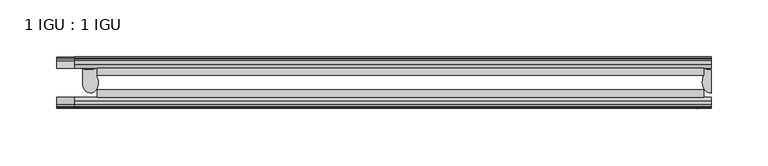
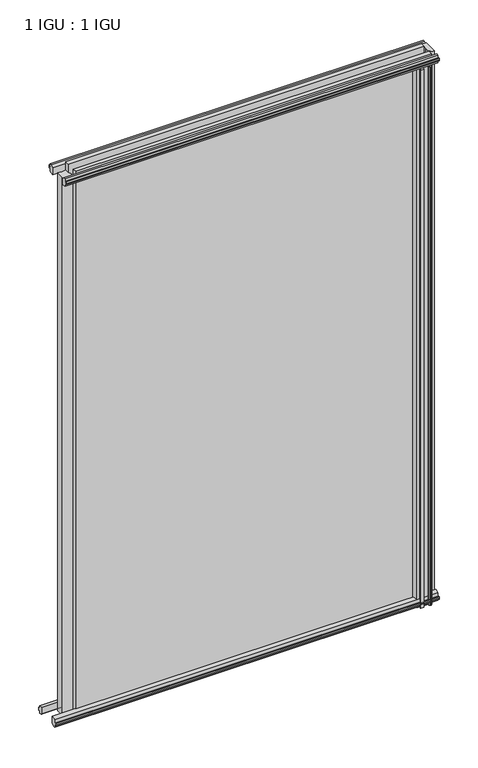
"""IFC4 building model written with IfcOpenShell, lengths in millimetres: plate geometry, 1 IGU : 1 IGU."""

import ifcopenshell
import ifcopenshell.guid

model = None  # the IFC model being written
_history = None  # IfcOwnerHistory: only IFC2X3 demands one
_inside = {}  # id of a spatial element -> (the spatial element, [elements in it])
_under = {}  # id of a project, library or spatial element -> (it, [spatial elements below it])
_declared = {}  # id of a project -> (the project, [libraries it declares])
_typed = {}  # id of a type object -> (the type object, [elements of that type])
_made_of = {}  # id of a material, layer set ... -> (it, [elements and type objects made of it])


def new_model(schema):
    """Start an empty IFC model of exactly this schema.

    Asked for "IFC4X3", IfcOpenShell would pick the latest addendum, in which some entities
    have other attributes; the version numbers below select the first issue.
    IFC2X3 requires an IfcOwnerHistory on every rooted entity: one is made here for all.
    """
    global model, _history
    if schema == "IFC4X3":
        model = ifcopenshell.file(schema_version=(4, 3, 0, 0))
    else:
        model = ifcopenshell.file(schema=schema)
    _inside.clear()
    _under.clear()
    _declared.clear()
    _typed.clear()
    _made_of.clear()
    _history = None
    if model.schema == "IFC2X3":
        org = make("IfcOrganization", Name="unknown")
        user = make(
            "IfcPersonAndOrganization",
            ThePerson=make("IfcPerson", FamilyName="unknown"),
            TheOrganization=org,
        )
        app = make(
            "IfcApplication",
            ApplicationDeveloper=org,
            Version="unknown",
            ApplicationFullName="unknown",
            ApplicationIdentifier="unknown",
        )
        _history = make(
            "IfcOwnerHistory",
            OwningUser=user,
            OwningApplication=app,
            ChangeAction="ADDED",
            CreationDate=0,
        )
    return model


def make(cls, **values):
    """One entity of the class cls with the attributes given. An attribute that is None is left unset."""
    return model.create_entity(
        cls, **{name: value for name, value in values.items() if value is not None}
    )


def rooted(cls, **values):
    """An entity with a GlobalId (a new one), such as an element, a storey or a relation."""
    return make(cls, GlobalId=ifcopenshell.guid.new(), OwnerHistory=_history, **values)


def si_unit(unit_type, name, prefix=None):
    """IfcSIUnit, for example si_unit("LENGTHUNIT", "METRE", prefix="MILLI")."""
    return make("IfcSIUnit", UnitType=unit_type, Prefix=prefix, Name=name)


def assignment(units):
    """IfcUnitAssignment: the units of a project."""
    return None if units is None else make("IfcUnitAssignment", Units=units)


def point(xyz):
    """IfcCartesianPoint."""
    return None if xyz is None else make("IfcCartesianPoint", Coordinates=xyz)


def direction(xyz):
    """IfcDirection."""
    return None if xyz is None else make("IfcDirection", DirectionRatios=xyz)


def frame(location, z_axis=None, x_axis=None):
    """IfcAxis2Placement3D, a coordinate frame: its origin and axes. An axis left out is left unset."""
    return make(
        "IfcAxis2Placement3D",
        Location=point(location),
        Axis=direction(z_axis),
        RefDirection=direction(x_axis),
    )


def frame_2d(location, x_axis=None):
    """IfcAxis2Placement2D, a coordinate frame in the plane: its origin and x axis."""
    return make(
        "IfcAxis2Placement2D", Location=point(location), RefDirection=direction(x_axis)
    )


def origin():
    """The frame at (0, 0, 0) with its axes left unset."""
    return frame((0.0, 0.0, 0.0))


def place(relative_to, where):
    """IfcLocalPlacement: puts the frame where relative to a parent placement (None: the world)."""
    return make(
        "IfcLocalPlacement", PlacementRelTo=relative_to, RelativePlacement=where
    )


def context(
    kind, dimensions, precision=None, world=None, true_north=None, identifier=None
):
    """IfcGeometricRepresentationContext, for example the 3D "Model" context."""
    return make(
        "IfcGeometricRepresentationContext",
        ContextIdentifier=identifier,
        ContextType=kind,
        CoordinateSpaceDimension=dimensions,
        Precision=precision,
        WorldCoordinateSystem=world,
        TrueNorth=true_north,
    )


def project(units=None, contexts=None):
    """IfcProject with its units and contexts."""
    return rooted(
        "IfcProject",
        Name="project",
        RepresentationContexts=contexts,
        UnitsInContext=assignment(units),
    )


def spatial(cls, under=None, at=None, **own):
    """A site, building, storey or space (cls), placed at a placement, below another one or the project."""
    s = rooted(cls, ObjectPlacement=at, **own)
    if under is not None:
        _under.setdefault(under.id(), (under, []))[1].append(s)
    return s


def polyline(points):
    """IfcPolyline through the points."""
    return make("IfcPolyline", Points=[point(p) for p in points])


def circle_curve(where, radius):
    """IfcCircle in the frame where."""
    return make("IfcCircle", Position=where, Radius=radius)


def ellipse_curve(where, semi_axis1, semi_axis2):
    """IfcEllipse in the frame where."""
    return make(
        "IfcEllipse", Position=where, SemiAxis1=semi_axis1, SemiAxis2=semi_axis2
    )


def trimmed(basis, trim1, trim2, sense, master):
    """IfcTrimmedCurve: the piece of a basis curve between two trims."""
    return make(
        "IfcTrimmedCurve",
        BasisCurve=basis,
        Trim1=trim1,
        Trim2=trim2,
        SenseAgreement=sense,
        MasterRepresentation=master,
    )


def segment(curve, same_sense, transition):
    """IfcCompositeCurveSegment."""
    return make(
        "IfcCompositeCurveSegment",
        Transition=transition,
        SameSense=same_sense,
        ParentCurve=curve,
    )


def composite_curve(segments, self_intersect=None):
    """IfcCompositeCurve: segments joined end to end."""
    return make("IfcCompositeCurve", Segments=segments, SelfIntersect=self_intersect)


def outline(outer, holes=None, kind="AREA"):
    """IfcArbitraryClosedProfileDef: a profile drawn as a closed curve; with holes, ...WithVoids."""
    if holes is None:
        return make("IfcArbitraryClosedProfileDef", ProfileType=kind, OuterCurve=outer)
    return make(
        "IfcArbitraryProfileDefWithVoids",
        ProfileType=kind,
        OuterCurve=outer,
        InnerCurves=holes,
    )


def extrude(swept, where, along, depth):
    """IfcExtrudedAreaSolid: the profile swept, set in the frame where, extruded along a direction by depth."""
    return make(
        "IfcExtrudedAreaSolid",
        SweptArea=swept,
        Position=where,
        ExtrudedDirection=direction(along),
        Depth=depth,
    )


def shape(context_of_items, identifier, shape_type, items):
    """IfcShapeRepresentation: the items that make up one representation, for example the "Body"."""
    return make(
        "IfcShapeRepresentation",
        ContextOfItems=context_of_items,
        RepresentationIdentifier=identifier,
        RepresentationType=shape_type,
        Items=items,
    )


def source(mapping_origin, context_of_items, identifier, shape_type, items):
    """IfcRepresentationMap: a shape defined once, which mapped items show again and again."""
    return make(
        "IfcRepresentationMap",
        MappingOrigin=mapping_origin,
        MappedRepresentation=shape(context_of_items, identifier, shape_type, items),
    )


def transform(
    local_origin,
    x_axis=None,
    y_axis=None,
    z_axis=None,
    scale=None,
    scale2=None,
    scale3=None,
    uniform=True,
):
    """IfcCartesianTransformationOperator3D, or its non-uniform kind. x_axis, y_axis, z_axis: its Axis1, 2, 3."""
    if uniform:
        return make(
            "IfcCartesianTransformationOperator3D",
            Axis1=direction(x_axis),
            Axis2=direction(y_axis),
            LocalOrigin=point(local_origin),
            Scale=scale,
            Axis3=direction(z_axis),
        )
    return make(
        "IfcCartesianTransformationOperator3DnonUniform",
        Axis1=direction(x_axis),
        Axis2=direction(y_axis),
        LocalOrigin=point(local_origin),
        Scale=scale,
        Axis3=direction(z_axis),
        Scale2=scale2,
        Scale3=scale3,
    )


def mapped(mapping_source, mapping_target):
    """IfcMappedItem: shows the shape of a source again, moved by a transform."""
    return make(
        "IfcMappedItem", MappingSource=mapping_source, MappingTarget=mapping_target
    )


def made_of(thing, what):
    """Note that an element or type object is made of a material, layer set ...; save() writes the relation."""
    if what is not None:
        _made_of.setdefault(what.id(), (what, []))[1].append(thing)
    return thing


def element(
    cls,
    number,
    at=None,
    inside=None,
    cuts=None,
    type_object=None,
    material=None,
    context=None,
    identifier="Body",
    shape_type=None,
    held_by="IfcProductDefinitionShape",
    body=None,
    shapes=None,
    **own,
):
    """One element of the class cls, such as IfcWall. Its Tag is "e" and its number.

    at: its placement. inside: the storey or other place that contains it. cuts: it is an
    opening in that element (IfcRelVoidsElement). A single representation is given by context,
    identifier, shape_type and body (its items); several are given by shapes. held_by: the class
    of the entity that holds the representations. save() writes the other relations.
    """
    e = rooted(cls, Tag="e%d" % number, ObjectPlacement=at, **own)
    if body is not None:
        shapes = [shape(context, identifier, shape_type, body)]
    if shapes is not None:
        e.Representation = make(held_by, Representations=shapes)
    if inside is not None:
        _inside.setdefault(inside.id(), (inside, []))[1].append(e)
    if cuts is not None:
        rooted(
            "IfcRelVoidsElement", RelatingBuildingElement=cuts, RelatedOpeningElement=e
        )
    if type_object is not None:
        _typed.setdefault(type_object.id(), (type_object, []))[1].append(e)
    return made_of(e, material)


def aggregate(whole, parts):
    """IfcRelAggregates: a whole, such as a stair, and the parts it consists of."""
    return rooted("IfcRelAggregates", RelatingObject=whole, RelatedObjects=parts)


def save(model, path):
    """Write the relations noted so far, then the file.

    IfcRelAggregates (storeys below a building ...), IfcRelContainedInSpatialStructure (elements
    in a storey), IfcRelDefinesByType, IfcRelAssociatesMaterial and IfcRelDeclares: one each for
    every whole, place, type object, material and project.
    """
    for whole, parts in _under.values():
        aggregate(whole, parts)
    for where, things in _inside.values():
        rooted(
            "IfcRelContainedInSpatialStructure",
            RelatedElements=things,
            RelatingStructure=where,
        )
    for kind, things in _typed.values():
        rooted("IfcRelDefinesByType", RelatedObjects=things, RelatingType=kind)
    for what, things in _made_of.values():
        rooted("IfcRelAssociatesMaterial", RelatedObjects=things, RelatingMaterial=what)
    for by, libraries in _declared.values():
        rooted("IfcRelDeclares", RelatingContext=by, RelatedDefinitions=libraries)
    model.write(path)


def plane_surface(at):
    """IfcPlane: the flat surface through the origin of the frame at, square to its z axis."""
    return make("IfcPlane", Position=at)


def cylinder_surface(at, radius):
    """IfcCylindricalSurface: all points at the distance radius from the z axis of the frame at."""
    return make("IfcCylindricalSurface", Position=at, Radius=radius)


def revolved_surface(curve, axis_point, axis_direction):
    """IfcSurfaceOfRevolution: the curve turned about the line through axis_point along axis_direction."""
    return make(
        "IfcSurfaceOfRevolution",
        SweptCurve=make("IfcArbitraryOpenProfileDef", ProfileType="CURVE", Curve=curve),
        AxisPosition=make("IfcAxis1Placement", Location=point(axis_point), Axis=direction(axis_direction)),
    )


def extruded_surface(curve, direction_of_extrusion, depth):
    """IfcSurfaceOfLinearExtrusion: the curve pushed along a direction by depth."""
    return make(
        "IfcSurfaceOfLinearExtrusion",
        SweptCurve=make("IfcArbitraryOpenProfileDef", ProfileType="CURVE", Curve=curve),
        ExtrudedDirection=direction(direction_of_extrusion),
        Depth=depth,
    )


def advanced_brep(points, edges, surfaces, faces):
    """IfcAdvancedBrep: a solid bounded by faces that lie on surfaces and meet in shared edges.

    An edge is (start, end): straight between two places in points (the first is 0);
    or (start, end, curve); or (start, end, curve, False) where it runs against its curve.
    A face is (place in surfaces, loops), or (place, loops, False) where it looks against
    its surface's normal. A loop lists edges by number (the first is 1), with a minus sign
    where the edge is run from its end to its start. The first loop is the outer one.
    """
    corners = [point(p) for p in points]
    vertices = [make("IfcVertexPoint", VertexGeometry=c) for c in corners]
    made = []
    for start, end, *more in edges:
        made.append(
            make(
                "IfcEdgeCurve",
                EdgeStart=vertices[start],
                EdgeEnd=vertices[end],
                EdgeGeometry=more[0] if more else make("IfcPolyline", Points=[corners[start], corners[end]]),
                SameSense=more[1] if len(more) > 1 else True,
            )
        )
    hull = []
    for where, loops, *sense in faces:
        bounds = []
        for j, loop in enumerate(loops):
            ring = [make("IfcOrientedEdge", EdgeElement=made[abs(k) - 1], Orientation=k > 0) for k in loop]
            bounds.append(
                make(
                    "IfcFaceOuterBound" if j == 0 else "IfcFaceBound",
                    Bound=make("IfcEdgeLoop", EdgeList=ring),
                    Orientation=True,
                )
            )
        hull.append(make("IfcAdvancedFace", Bounds=bounds, FaceSurface=surfaces[where], SameSense=sense[0] if sense else True))
    return make("IfcAdvancedBrep", Outer=make("IfcClosedShell", CfsFaces=hull))


def plate_1_igu_1_igu_d3737ca3(model_context):
    return source(origin(), model_context, "Body", "SolidModel", [
        extrude(outline(polyline([(-218.0669376, -38.6468937), (314.3091251, -38.6468937), (314.3091251, -44.9460938), (-218.0669376, -44.9460938), (-218.0669376, -38.6468937)])), frame((0.0, 0.0, -12.7), z_axis=(0.0, 0.0, 1.0), x_axis=(1.0, 0.0, 0.0)), (0.0, 0.0, 1.0), 863.5872996),
        extrude(outline(polyline([(-218.0669376, -19.5460937), (314.3091251, -19.5460937), (314.3091251, -25.8960938), (-218.0669376, -25.8960938), (-218.0669376, -19.5460937)])), frame((0.0, 0.0, -12.7), z_axis=(0.0, 0.0, 1.0), x_axis=(1.0, 0.0, 0.0)), (0.0, 0.0, 1.0), 863.5872996),
        advanced_brep(
        [(-230.7979231, -20.0381352, -12.4587), (-218.0979231, -19.5460938, -12.4587), (-218.0979231, -27.1259412, -12.4587), (-230.7979231, -32.2460937, -12.4587), (-230.7979231, -20.0381352, 838.1872996), (-230.7979231, -32.2460937, 838.1872996), (-218.0979231, -27.1259412, 838.1872996), (-218.0979231, -19.5460938, 838.1872996)],
        [
            (0, 1, circle_curve(frame((-225.0811963, -3.4468047, -12.4587), z_axis=(0.0, 0.0, 1.0), x_axis=(1.0, 0.0, 0.0)), 17.5485957)),
            (1, 2),
            (2, 3, ellipse_curve(frame((-223.8617545, -32.2460937, -12.4587), z_axis=(0.0, 0.0, -1.0), x_axis=(0.0, -1.0, 0.0)), 9.2039536, 6.9361686)),
            (3, 0),
            (4, 5),
            (5, 6, ellipse_curve(frame((-223.8617545, -32.2460937, 838.1872996), z_axis=(0.0, 0.0, 1.0), x_axis=(0.0, -1.0, 0.0)), 9.2039536, 6.9361686)),
            (6, 7),
            (7, 4, circle_curve(frame((-225.0811963, -3.4468047, 838.1872996), z_axis=(0.0, 0.0, -1.0), x_axis=(1.0, 0.0, 0.0)), 17.5485957)),
            (0, 4),
            (7, 1),
            (6, 2),
            (5, 3),
        ],
        [
            plane_surface(frame((-253.1903751, -13.1960937, -12.4587), z_axis=(0.0, 0.0, -1.0), x_axis=(0.0, 1.0, 0.0))),
            plane_surface(frame((-253.1903751, -13.1960937, 838.1872996), z_axis=(0.0, 0.0, 1.0), x_axis=(0.0, 1.0, 0.0))),
            revolved_surface(polyline([(-207.5326006, -3.4468047, 838.1872996), (-207.5326006, -3.4468047, -12.4587)]), (-225.0811963, -3.4468047, -12.4587), (0.0, 0.0, 1.0)),
            plane_surface(frame((-218.0979231, -19.5460938, -12.4587), z_axis=(1.0, 0.0, 0.0), x_axis=(0.0, 0.0, 1.0))),
            extruded_surface(trimmed(ellipse_curve(frame((-223.8617545, -32.2460937, 838.1872996), z_axis=(0.0, 0.0, -1.0), x_axis=(0.0, -1.0, 0.0)), 9.2039536, 6.9361686), [point((-218.0979231, -27.1259412, 838.1872996))], [point((-230.7979231, -32.2460937, 838.1872996))], True, "CARTESIAN"), (0.0, 0.0, -850.6459996), 850.6459996),
            plane_surface(frame((-230.7979231, -32.2460937, -12.4587), z_axis=(-1.0, 0.0, 0.0), x_axis=(0.0, 0.0, 1.0))),
        ],
        [
            (0, [[1, 2, 3, 4]]),
            (1, [[5, 6, 7, 8]]),
            (2, [[-1, 9, -8, 10]]),
            (3, [[-2, -10, -7, 11]]),
            (4, [[-3, -11, -6, 12]]),
            (5, [[-4, -12, -5, -9]]),
        ],
    ),
        advanced_brep(
        [(320.6591251, -21.1709383, -12.4587), (320.6591251, -41.5384061, -12.4587), (313.1367879, -32.2460938, -12.4587), (314.3091251, -25.8452938, -12.4587), (314.3091251, -19.5460938, -12.4587), (320.6591251, -21.1709383, 850.8872996), (314.3091251, -19.5460938, 850.8872996), (314.3091251, -25.8452938, 850.8872996), (313.1367879, -32.2460938, 850.8872996), (320.6591251, -41.5384061, 850.8872996)],
        [
            (0, 1),
            (1, 2, ellipse_curve(frame((320.6591251, -32.2460938, -12.4587), z_axis=(0.0, 0.0, -1.0), x_axis=(0.0, -1.0, 0.0)), 9.2923124, 7.5223371)),
            (2, 3, circle_curve(frame((331.1967014, -32.2460938, -12.4587), z_axis=(0.0, 0.0, -1.0), x_axis=(1.0, 0.0, 0.0)), 18.0599135)),
            (3, 4),
            (4, 0, circle_curve(frame((320.6591251, -7.950406, -12.4587), z_axis=(0.0, 0.0, 1.0), x_axis=(1.0, 0.0, 0.0)), 13.2205323)),
            (5, 6, circle_curve(frame((320.6591251, -7.950406, 850.8872996), z_axis=(0.0, 0.0, -1.0), x_axis=(1.0, 0.0, 0.0)), 13.2205323)),
            (6, 7),
            (7, 8, circle_curve(frame((331.1967014, -32.2460938, 850.8872996), z_axis=(0.0, 0.0, 1.0), x_axis=(1.0, 0.0, 0.0)), 18.0599135)),
            (8, 9, ellipse_curve(frame((320.6591251, -32.2460938, 850.8872996), z_axis=(0.0, 0.0, 1.0), x_axis=(0.0, -1.0, 0.0)), 9.2923124, 7.5223371)),
            (9, 5),
            (1, 9),
            (8, 2),
            (7, 3),
            (6, 4),
            (5, 0),
        ],
        [
            plane_surface(frame((320.6591251, -13.1960938, -12.4587), z_axis=(0.0, 0.0, -1.0), x_axis=(0.0, 1.0, 0.0))),
            plane_surface(frame((320.6591251, -13.1960938, 850.8872996), z_axis=(0.0, 0.0, 1.0), x_axis=(0.0, 1.0, 0.0))),
            extruded_surface(trimmed(ellipse_curve(frame((320.6591251, -32.2460938, 850.8872996), z_axis=(0.0, 0.0, -1.0), x_axis=(0.0, -1.0, 0.0)), 9.2923124, 7.5223371), [point((320.6591251, -41.5384061, 850.8872996))], [point((313.1367879, -32.2460938, 850.8872996))], True, "CARTESIAN"), (0.0, 0.0, -863.3459996), 863.3459996),
            cylinder_surface(frame((331.1967014, -32.2460938, -12.4587), z_axis=(0.0, 0.0, -1.0), x_axis=(1.0, 0.0, 0.0)), 18.0599135),
            plane_surface(frame((314.3091251, -25.8452938, -12.4587), z_axis=(-1.0, 0.0, 0.0), x_axis=(0.0, 0.0, 1.0))),
            revolved_surface(polyline([(333.8796574, -7.950406, 850.8872996), (333.8796574, -7.950406, -12.4587)]), (320.6591251, -7.950406, -12.4587), (0.0, 0.0, 1.0)),
            plane_surface(frame((320.6591251, -21.1709383, -12.4587), z_axis=(1.0, 0.0, 0.0), x_axis=(0.0, 0.0, 1.0))),
        ],
        [
            (0, [[1, 2, 3, 4, 5]]),
            (1, [[6, 7, 8, 9, 10]]),
            (2, [[-2, 11, -9, 12]]),
            (3, [[-3, -12, -8, 13]]),
            (4, [[-4, -13, -7, 14]]),
            (5, [[-5, -14, -6, 15]]),
            (6, [[-1, -15, -10, -11]]),
        ],
    ),
        extrude(outline(polyline([(-44.9460937, 1.7177181), (-44.9460937, -9.1036578), (-48.3496937, -11.938), (-51.2960937, -11.938), (-51.2960937, -7.493), (-53.6762907, -7.112), (-53.2163575, -8.5275291), (-54.0175717, -8.5275291), (-54.7250937, -6.35), (-54.0175717, -4.1724709), (-53.2163575, -4.1724709), (-53.6762907, -5.588), (-51.2960937, -5.207), (-51.2960937, 0.0), (-44.9460937, 1.7177181)])), frame((-253.1903751, 0.0, 0.0), z_axis=(1.0, 0.0, 0.0), x_axis=(0.0, 1.0, 0.0)), (0.0, 0.0, 1.0), 573.8495002),
        extrude(outline(polyline([(-13.1960937, -12.4587), (-16.1424937, -12.4587), (-19.5460937, -9.6243578), (-19.5460937, 1.1970181), (-13.1960937, -0.5207), (-13.1960937, -5.7277), (-10.8158968, -6.1087), (-11.27583, -4.6931709), (-10.4746158, -4.6931709), (-9.7670937, -6.8707), (-10.4746158, -9.0482291), (-11.27583, -9.0482291), (-10.8158968, -7.6327), (-13.1960937, -8.0137), (-13.1960937, -12.4587)])), frame((-253.1903751, 0.0, 0.0), z_axis=(1.0, 0.0, 0.0), x_axis=(0.0, 1.0, 0.0)), (0.0, 0.0, 1.0), 573.8495002),
        extrude(outline(polyline([(-51.2960937, 850.1252996), (-48.3496937, 850.1252996), (-44.9460937, 847.2909574), (-44.9460937, 836.4695815), (-51.2960937, 838.1872996), (-51.2960937, 843.3942996), (-53.6762907, 843.7752996), (-53.2163575, 842.3597706), (-54.0175717, 842.3597706), (-54.7250937, 844.5372996), (-54.0175717, 846.7148287), (-53.2163575, 846.7148287), (-53.6762907, 845.2992996), (-51.2960937, 845.6802996), (-51.2960937, 850.1252996)])), frame((-237.6130313, 0.0, 0.0), z_axis=(1.0, 0.0, 0.0), x_axis=(0.0, 1.0, 0.0)), (0.0, 0.0, 1.0), 558.2721564),
        extrude(outline(polyline([(-19.5460937, 836.9902815), (-19.5460937, 847.8116574), (-16.1424937, 850.6459996), (-13.1960937, 850.6459996), (-13.1960937, 846.2009996), (-10.8158968, 845.8199996), (-11.27583, 847.2355287), (-10.4746158, 847.2355287), (-9.7670937, 845.0579996), (-10.4746158, 842.8804706), (-11.27583, 842.8804706), (-10.8158968, 844.2959996), (-13.1960937, 843.9149996), (-13.1960937, 838.7079996), (-19.5460937, 836.9902815)])), frame((-237.6130313, 0.0, 0.0), z_axis=(1.0, 0.0, 0.0), x_axis=(0.0, 1.0, 0.0)), (0.0, 0.0, 1.0), 558.2721564),
        extrude(outline(composite_curve([segment(polyline([(311.1341252, -44.9460938), (311.1341252, -51.2960938), (309.4831252, -51.2960938), (309.4831252, -52.9470938), (310.560756, -52.9470938)]), True, "CONTINUOUS"), segment(trimmed(circle_curve(frame_2d((309.4831252, -52.9470938)), 1.0776307), [point((310.560756, -52.9470938))], [point((310.2451252, -53.7090938))], False, "CARTESIAN"), True, "CONTINUOUS"), segment(polyline([(310.2451252, -53.7090938), (308.5058328, -54.8194621)]), True, "CONTINUOUS"), segment(trimmed(circle_curve(frame_2d((307.9591252, -53.9630938)), 1.016), [point((308.5058328, -54.8194621))], [point((307.4124176, -54.8194621))], False, "CARTESIAN"), True, "CONTINUOUS"), segment(polyline([(307.4124176, -54.8194621), (305.6731252, -53.7090938)]), True, "CONTINUOUS"), segment(trimmed(circle_curve(frame_2d((306.4351252, -52.9470938)), 1.0776307), [point((305.6731252, -53.7090938))], [point((305.3574945, -52.9470938))], False, "CARTESIAN"), True, "CONTINUOUS"), segment(polyline([(305.3574945, -52.9470938), (306.4351252, -52.9470938), (306.4351252, -51.2960938), (297.3673252, -51.2960938)]), True, "CONTINUOUS"), segment(trimmed(circle_curve(frame_2d((297.3673252, -51.7532938)), 0.4572), [point((297.3673252, -51.2960938))], [point((297.0285074, -52.0602698))], True, "CARTESIAN"), True, "CONTINUOUS"), segment(trimmed(circle_curve(frame_2d((295.2591252, -53.663367)), 2.3876), [point((297.0285074, -52.0602698))], [point((297.3297682, -54.8520938))], False, "CARTESIAN"), True, "CONTINUOUS"), segment(polyline([(297.3297682, -54.8520938), (293.1884822, -54.8520938)]), True, "CONTINUOUS"), segment(trimmed(circle_curve(frame_2d((295.2591252, -53.663367)), 2.3876), [point((293.1884822, -54.8520938))], [point((293.4897431, -52.0602698))], False, "CARTESIAN"), True, "CONTINUOUS"), segment(trimmed(circle_curve(frame_2d((293.1509252, -51.7532938)), 0.4572), [point((293.4897431, -52.0602698))], [point((293.1509252, -51.2960938))], True, "CARTESIAN"), True, "CONTINUOUS"), segment(polyline([(293.1509252, -51.2960938), (288.9091252, -51.2960938)]), True, "CONTINUOUS"), segment(trimmed(circle_curve(frame_2d((279.8931938, -51.9750196)), 9.0414579), [point((288.9091252, -51.2960938))], [point((285.5802107, -44.9460938))], True, "CARTESIAN"), True, "CONTINUOUS"), segment(polyline([(285.5802107, -44.9460938), (311.1341252, -44.9460938)]), True, "CONTINUOUS")], self_intersect=False)), frame((0.0, 0.0, -12.7), z_axis=(0.0, 0.0, 1.0), x_axis=(1.0, 0.0, 0.0)), (0.0, 0.0, 1.0), 850.8872996),
    ])


if __name__ == "__main__":
    model = new_model("IFC4")
    model_context = context("Model", 3, world=origin())
    ifc_project = project(units=[si_unit("LENGTHUNIT", "METRE", prefix="MILLI")], contexts=[model_context])
    site = spatial("IfcSite", under=ifc_project)
    building = spatial("IfcBuilding", under=site)
    placement = place(None, origin())
    plate_1_igu_1_igu_shape = plate_1_igu_1_igu_d3737ca3(model_context)
    element("IfcPlate", 1, ObjectType="1 IGU : 1 IGU", at=placement, inside=building, context=model_context, shape_type="MappedRepresentation", body=[
        mapped(plate_1_igu_1_igu_shape, transform((0.0, 0.0, 0.0), x_axis=(1.0, 0.0, 0.0), y_axis=(0.0, 1.0, 0.0), z_axis=(0.0, 0.0, 1.0))),
    ])
    save(model, "model.ifc")
